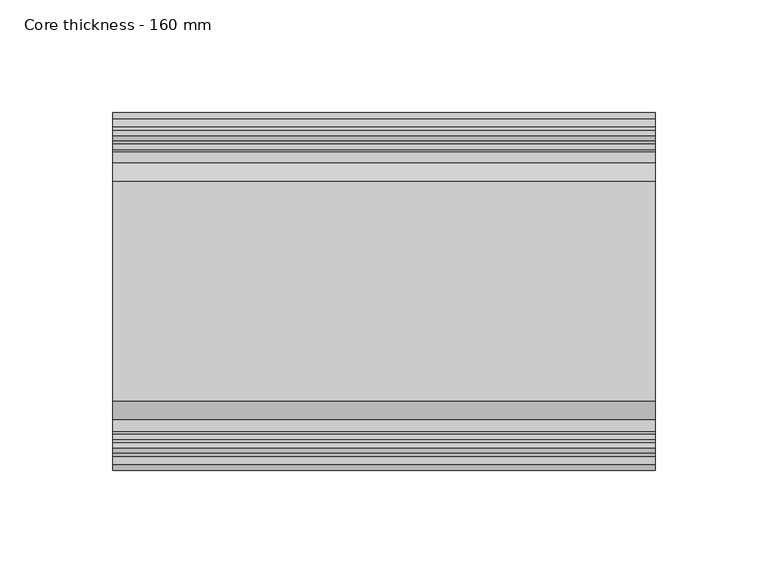
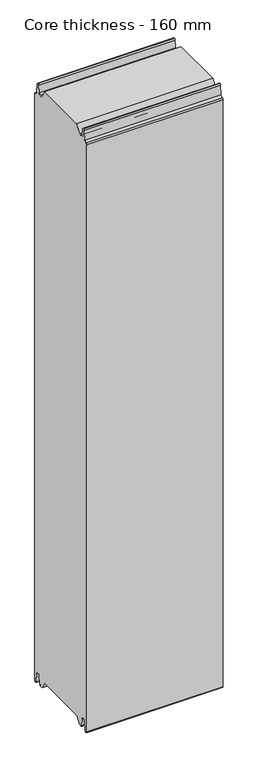
"""IFC4 building model written with IfcOpenShell, lengths in millimetres: plate geometry, Core thickness - 160 mm."""

from ifc_helpers import new_model, si_unit, frame, origin, place, context, project, spatial, polyline, circle_curve, source, transform, mapped, element, save
from ifc_brep_helpers import plane_surface, cylinder_surface, revolved_surface, advanced_brep


def core_thickness_160_mm_a3ec5d2a(model_context):
    return source(origin(), model_context, "Body", "AdvancedBrep", [
        advanced_brep(
        [(119.9999998, -129.873448, 15.0417681), (119.9999998, -30.126552, 15.0417681), (119.9999998, -23.4086055, 3.0684055), (119.9999998, -17.4169005, 3.0684055), (119.9999998, -19.6169005, 5.265779), (119.9999998, -18.8169005, 5.265779), (119.9999998, -16.0235822, 5.1291629), (119.9999998, -14.6379549, 19.2608832), (119.9999998, -10.8223285, 22.6899182), (119.9999998, -7.0067021, 19.2608832), (119.9999998, -5.3893281, 2.7656275), (119.9999998, -0.8003051, 2.9900682), (119.9999998, -0.8, 1093.8000005), (119.9999998, -3.3660185, 1096.1942726), (119.9999998, -6.8790665, 1099.1779769), (119.9999998, -8.5415667, 1116.1334653), (119.9999998, -10.8223285, 1118.1999998), (119.9999998, -13.1030903, 1116.1334653), (119.9999998, -14.4357929, 1102.5415123), (119.9999998, -17.0233841, 1100.1952279), (119.9999998, -18.1003051, 1100.1952279), (119.9999998, -18.7003051, 1099.5952279), (119.9999998, -18.7003051, 1098.4952279), (119.9999998, -19.5003051, 1098.4952279), (119.9999998, -19.5003051, 1099.5952279), (119.9999998, -18.1003051, 1100.9952279), (119.9999998, -19.5003051, 1100.9952279), (119.9999998, -23.1062917, 1100.9952279), (119.9999998, -31.1628062, 1115.044651), (119.9999998, -128.7531937, 1115.044651), (119.9999998, -136.8937083, 1100.9952279), (119.9999998, -140.4996949, 1100.9952279), (119.9999998, -141.8996949, 1100.9952279), (119.9999998, -140.4996949, 1099.5952279), (119.9999998, -140.4996949, 1098.4952279), (119.9999998, -141.2996949, 1098.4952279), (119.9999998, -141.2996949, 1099.5952279), (119.9999998, -141.8996949, 1100.1952279), (119.9999998, -142.9766159, 1100.1952279), (119.9999998, -145.5642071, 1102.5415123), (119.9999998, -146.8969097, 1116.1334653), (119.9999998, -149.1776715, 1118.1999998), (119.9999998, -151.4584333, 1116.1334653), (119.9999998, -153.1209335, 1099.1779769), (119.9999998, -156.6330399, 1096.2078763), (119.9999998, -159.1996949, 1093.8000005), (119.9999998, -159.2, 2.9900682), (119.9999998, -154.6106719, 2.7656275), (119.9999998, -152.9932979, 19.2608832), (119.9999998, -149.1776715, 22.6899182), (119.9999998, -145.3620451, 19.2608832), (119.9999998, -143.9764178, 5.1291629), (119.9999998, -141.1830995, 5.265779), (119.9999998, -140.3830995, 5.265779), (119.9999998, -142.5830995, 3.065779), (119.9999998, -136.5913945, 3.0684055), (-119.9999998, -136.8937083, 1100.9952279), (-119.9999998, -128.7531937, 1115.044651), (-119.9999998, -31.1628062, 1115.044651), (-119.9999998, -23.1062917, 1100.9952279), (-119.9999998, -19.5003051, 1100.9952279), (-119.9999998, -18.1003051, 1100.9952279), (-119.9999998, -19.5003051, 1099.5952279), (-119.9999998, -19.5003051, 1098.4952279), (-119.9999998, -18.7003051, 1098.4952279), (-119.9999998, -18.7003051, 1099.5952279), (-119.9999998, -18.1003051, 1100.1952279), (-119.9999998, -17.0233841, 1100.1952279), (-119.9999998, -14.4357929, 1102.5415123), (-119.9999998, -13.1030903, 1116.1334653), (-119.9999998, -10.8223285, 1118.1999998), (-119.9999998, -8.5415667, 1116.1334653), (-119.9999998, -6.8790665, 1099.1779769), (-119.9999998, -3.3669601, 1096.2078763), (-119.9999998, -0.8003051, 1093.8000005), (-119.9999998, -0.8, 2.9900682), (-119.9999998, -5.3893281, 2.7656275), (-119.9999998, -7.0067021, 19.2608832), (-119.9999998, -10.8223285, 22.6899182), (-119.9999998, -14.6379549, 19.2608832), (-119.9999998, -16.0235822, 5.1291629), (-119.9999998, -18.8169005, 5.265779), (-119.9999998, -19.6169005, 5.265779), (-119.9999998, -17.4169005, 3.065779), (-119.9999998, -23.4086055, 3.0684055), (-119.9999998, -30.126552, 15.0417681), (-119.9999998, -129.873448, 15.0417681), (-119.9999998, -136.5913945, 3.0684055), (-119.9999998, -142.5830995, 3.0684055), (-119.9999998, -140.3830995, 5.265779), (-119.9999998, -141.1830995, 5.265779), (-119.9999998, -143.9764178, 5.1291629), (-119.9999998, -145.3620451, 19.2608832), (-119.9999998, -149.1776715, 22.6899182), (-119.9999998, -152.9932979, 19.2608832), (-119.9999998, -154.6106719, 2.7656275), (-119.9999998, -159.1996949, 2.9900682), (-119.9999998, -159.2, 1093.8000005), (-119.9999998, -156.6339815, 1096.1942726), (-119.9999998, -153.1209335, 1099.1779769), (-119.9999998, -151.4584333, 1116.1334653), (-119.9999998, -149.1776715, 1118.1999998), (-119.9999998, -146.8969097, 1116.1334653), (-119.9999998, -145.5642071, 1102.5415123), (-119.9999998, -142.9766159, 1100.1952279), (-119.9999998, -141.8996949, 1100.1952279), (-119.9999998, -141.2996949, 1099.5952279), (-119.9999998, -141.2996949, 1098.4952279), (-119.9999998, -140.4996949, 1098.4952279), (-119.9999998, -140.4996949, 1099.5952279), (-119.9999998, -141.8996949, 1100.9952279), (-119.9999998, -140.4996949, 1100.9952279)],
        [
            (0, 1),
            (1, 2),
            (2, 3),
            (3, 4, circle_curve(frame((119.9999998, -17.4169005, 5.265779), z_axis=(-1.0, 0.0, 0.0), x_axis=(0.0, 0.0, -1.0)), 2.2)),
            (4, 5),
            (5, 6, circle_curve(frame((119.9999998, -17.4169005, 5.265779), z_axis=(1.0, 0.0, 0.0), x_axis=(0.0, 0.0, -1.0)), 1.4)),
            (6, 7),
            (7, 8, circle_curve(frame((119.9999998, -10.8560907, 18.8900682), z_axis=(-1.0, 0.0, 0.0), x_axis=(0.0, 0.0, -1.0)), 3.8)),
            (8, 9, circle_curve(frame((119.9999998, -10.7885662, 18.8900682), z_axis=(-1.0, 0.0, 0.0), x_axis=(0.0, 0.0, -1.0)), 3.8)),
            (9, 10),
            (10, 11, circle_curve(frame((119.9999998, -3.1003051, 2.9900682), z_axis=(1.0, 0.0, 0.0), x_axis=(0.0, 0.0, -1.0)), 2.3)),
            (11, 12),
            (12, 13, circle_curve(frame((119.9999998, -3.2003051, 1093.8000005), z_axis=(1.0, 0.0, 0.0), x_axis=(0.0, 0.0, -1.0)), 2.4)),
            (13, 14, circle_curve(frame((119.9999998, -3.5948161, 1099.5000005), z_axis=(-1.0, 0.0, 0.0), x_axis=(0.0, 0.0, -1.0)), 3.3)),
            (14, 15),
            (15, 16, circle_curve(frame((119.9999998, -10.8206374, 1115.9100005), z_axis=(1.0, 0.0, 0.0), x_axis=(0.0, 0.0, -1.0)), 2.29)),
            (16, 17, circle_curve(frame((119.9999998, -10.8240195, 1115.9100005), z_axis=(1.0, 0.0, 0.0), x_axis=(0.0, 0.0, -1.0)), 2.29)),
            (17, 18),
            (18, 19, circle_curve(frame((119.9999998, -17.0233841, 1102.7952279), z_axis=(-1.0, 0.0, 0.0), x_axis=(0.0, 0.0, -1.0)), 2.6)),
            (19, 20),
            (20, 21, circle_curve(frame((119.9999998, -18.1003051, 1099.5952279), z_axis=(1.0, 0.0, 0.0), x_axis=(0.0, 0.0, -1.0)), 0.6)),
            (21, 22),
            (22, 23),
            (23, 24),
            (24, 25, circle_curve(frame((119.9999998, -18.1003051, 1099.5952279), z_axis=(-1.0, 0.0, 0.0), x_axis=(0.0, 0.0, -1.0)), 1.4)),
            (25, 26),
            (26, 27),
            (27, 28),
            (28, 29),
            (29, 30),
            (30, 31),
            (31, 32),
            (32, 33, circle_curve(frame((119.9999998, -141.8996949, 1099.5952279), z_axis=(-1.0, 0.0, 0.0), x_axis=(0.0, 0.0, -1.0)), 1.4)),
            (33, 34),
            (34, 35),
            (35, 36),
            (36, 37, circle_curve(frame((119.9999998, -141.8996949, 1099.5952279), z_axis=(1.0, 0.0, 0.0), x_axis=(0.0, 0.0, -1.0)), 0.6)),
            (37, 38),
            (38, 39, circle_curve(frame((119.9999998, -142.9766159, 1102.7952279), z_axis=(-1.0, 0.0, 0.0), x_axis=(0.0, 0.0, -1.0)), 2.6)),
            (39, 40),
            (40, 41, circle_curve(frame((119.9999998, -149.1759805, 1115.9100005), z_axis=(1.0, 0.0, 0.0), x_axis=(0.0, 0.0, -1.0)), 2.29)),
            (41, 42, circle_curve(frame((119.9999998, -149.1793626, 1115.9100005), z_axis=(1.0, 0.0, 0.0), x_axis=(0.0, 0.0, -1.0)), 2.29)),
            (42, 43),
            (43, 44, circle_curve(frame((119.9999998, -156.4051839, 1099.5000005), z_axis=(-1.0, 0.0, 0.0), x_axis=(0.0, 0.0, -1.0)), 3.3)),
            (44, 45, circle_curve(frame((119.9999998, -156.7996949, 1093.8000005), z_axis=(1.0, 0.0, 0.0), x_axis=(0.0, 0.0, -1.0)), 2.4)),
            (45, 46),
            (46, 47, circle_curve(frame((119.9999998, -156.8996949, 2.9900682), z_axis=(1.0, 0.0, 0.0), x_axis=(0.0, 0.0, -1.0)), 2.3)),
            (47, 48),
            (48, 49, circle_curve(frame((119.9999998, -149.2114338, 18.8900682), z_axis=(-1.0, 0.0, 0.0), x_axis=(0.0, 0.0, -1.0)), 3.8)),
            (49, 50, circle_curve(frame((119.9999998, -149.1439093, 18.8900682), z_axis=(-1.0, 0.0, 0.0), x_axis=(0.0, 0.0, -1.0)), 3.8)),
            (50, 51),
            (51, 52, circle_curve(frame((119.9999998, -142.5830995, 5.265779), z_axis=(1.0, 0.0, 0.0), x_axis=(0.0, 0.0, -1.0)), 1.4)),
            (52, 53),
            (53, 54, circle_curve(frame((119.9999998, -142.5830995, 5.265779), z_axis=(-1.0, 0.0, 0.0), x_axis=(0.0, 0.0, -1.0)), 2.2)),
            (54, 55),
            (55, 0),
            (56, 57),
            (57, 58),
            (58, 59),
            (59, 60),
            (60, 61),
            (61, 62, circle_curve(frame((-119.9999998, -18.1003051, 1099.5952279), z_axis=(1.0, 0.0, 0.0), x_axis=(0.0, 0.0, -1.0)), 1.4)),
            (62, 63),
            (63, 64),
            (64, 65),
            (65, 66, circle_curve(frame((-119.9999998, -18.1003051, 1099.5952279), z_axis=(-1.0, 0.0, 0.0), x_axis=(0.0, 0.0, -1.0)), 0.6)),
            (66, 67),
            (67, 68, circle_curve(frame((-119.9999998, -17.0233841, 1102.7952279), z_axis=(1.0, 0.0, 0.0), x_axis=(0.0, 0.0, -1.0)), 2.6)),
            (68, 69),
            (69, 70, circle_curve(frame((-119.9999998, -10.8240195, 1115.9100005), z_axis=(-1.0, 0.0, 0.0), x_axis=(0.0, 0.0, -1.0)), 2.29)),
            (70, 71, circle_curve(frame((-119.9999998, -10.8206374, 1115.9100005), z_axis=(-1.0, 0.0, 0.0), x_axis=(0.0, 0.0, -1.0)), 2.29)),
            (71, 72),
            (72, 73, circle_curve(frame((-119.9999998, -3.5948161, 1099.5000005), z_axis=(1.0, 0.0, 0.0), x_axis=(0.0, 0.0, -1.0)), 3.3)),
            (73, 74, circle_curve(frame((-119.9999998, -3.2003051, 1093.8000005), z_axis=(-1.0, 0.0, 0.0), x_axis=(0.0, 0.0, -1.0)), 2.4)),
            (74, 75),
            (75, 76, circle_curve(frame((-119.9999998, -3.1003051, 2.9900682), z_axis=(-1.0, 0.0, 0.0), x_axis=(0.0, 0.0, -1.0)), 2.3)),
            (76, 77),
            (77, 78, circle_curve(frame((-119.9999998, -10.7885662, 18.8900682), z_axis=(1.0, 0.0, 0.0), x_axis=(0.0, 0.0, -1.0)), 3.8)),
            (78, 79, circle_curve(frame((-119.9999998, -10.8560907, 18.8900682), z_axis=(1.0, 0.0, 0.0), x_axis=(0.0, 0.0, -1.0)), 3.8)),
            (79, 80),
            (80, 81, circle_curve(frame((-119.9999998, -17.4169005, 5.265779), z_axis=(-1.0, 0.0, 0.0), x_axis=(0.0, 0.0, -1.0)), 1.4)),
            (81, 82),
            (82, 83, circle_curve(frame((-119.9999998, -17.4169005, 5.265779), z_axis=(1.0, 0.0, 0.0), x_axis=(0.0, 0.0, -1.0)), 2.2)),
            (83, 84),
            (84, 85),
            (85, 86),
            (86, 87),
            (87, 88),
            (88, 89, circle_curve(frame((-119.9999998, -142.5830995, 5.265779), z_axis=(1.0, 0.0, 0.0), x_axis=(0.0, 0.0, -1.0)), 2.2)),
            (89, 90),
            (90, 91, circle_curve(frame((-119.9999998, -142.5830995, 5.265779), z_axis=(-1.0, 0.0, 0.0), x_axis=(0.0, 0.0, -1.0)), 1.4)),
            (91, 92),
            (92, 93, circle_curve(frame((-119.9999998, -149.1439093, 18.8900682), z_axis=(1.0, 0.0, 0.0), x_axis=(0.0, 0.0, -1.0)), 3.8)),
            (93, 94, circle_curve(frame((-119.9999998, -149.2114338, 18.8900682), z_axis=(1.0, 0.0, 0.0), x_axis=(0.0, 0.0, -1.0)), 3.8)),
            (94, 95),
            (95, 96, circle_curve(frame((-119.9999998, -156.8996949, 2.9900682), z_axis=(-1.0, 0.0, 0.0), x_axis=(0.0, 0.0, -1.0)), 2.3)),
            (96, 97),
            (97, 98, circle_curve(frame((-119.9999998, -156.7996949, 1093.8000005), z_axis=(-1.0, 0.0, 0.0), x_axis=(0.0, 0.0, -1.0)), 2.4)),
            (98, 99, circle_curve(frame((-119.9999998, -156.4051839, 1099.5000005), z_axis=(1.0, 0.0, 0.0), x_axis=(0.0, 0.0, -1.0)), 3.3)),
            (99, 100),
            (100, 101, circle_curve(frame((-119.9999998, -149.1793626, 1115.9100005), z_axis=(-1.0, 0.0, 0.0), x_axis=(0.0, 0.0, -1.0)), 2.29)),
            (101, 102, circle_curve(frame((-119.9999998, -149.1759805, 1115.9100005), z_axis=(-1.0, 0.0, 0.0), x_axis=(0.0, 0.0, -1.0)), 2.29)),
            (102, 103),
            (103, 104, circle_curve(frame((-119.9999998, -142.9766159, 1102.7952279), z_axis=(1.0, 0.0, 0.0), x_axis=(0.0, 0.0, -1.0)), 2.6)),
            (104, 105),
            (105, 106, circle_curve(frame((-119.9999998, -141.8996949, 1099.5952279), z_axis=(-1.0, 0.0, 0.0), x_axis=(0.0, 0.0, -1.0)), 0.6)),
            (106, 107),
            (107, 108),
            (108, 109),
            (109, 110, circle_curve(frame((-119.9999998, -141.8996949, 1099.5952279), z_axis=(1.0, 0.0, 0.0), x_axis=(0.0, 0.0, -1.0)), 1.4)),
            (110, 111),
            (111, 56),
            (30, 56),
            (110, 32),
            (29, 57),
            (28, 58),
            (27, 59),
            (25, 61),
            (1, 85),
            (84, 2),
            (0, 86),
            (55, 87),
            (83, 3),
            (54, 88),
            (109, 33),
            (108, 34),
            (107, 35),
            (106, 36),
            (105, 37),
            (104, 38),
            (103, 39),
            (102, 40),
            (101, 41),
            (100, 42),
            (99, 43),
            (98, 44),
            (97, 45),
            (96, 46),
            (95, 47),
            (94, 48),
            (93, 49),
            (92, 50),
            (91, 51),
            (90, 52),
            (89, 53),
            (74, 12),
            (11, 75),
            (73, 13),
            (72, 14),
            (71, 15),
            (70, 16),
            (69, 17),
            (68, 18),
            (67, 19),
            (66, 20),
            (65, 21),
            (64, 22),
            (63, 23),
            (62, 24),
            (82, 4),
            (81, 5),
            (80, 6),
            (79, 7),
            (78, 8),
            (77, 9),
            (76, 10),
        ],
        [
            plane_surface(frame((119.9999998, 0.0, 0.0), z_axis=(1.0, 0.0, 0.0), x_axis=(0.0, -1.0, 0.0))),
            plane_surface(frame((-119.9999998, 0.0, 0.0), z_axis=(-1.0, 0.0, 0.0), x_axis=(0.0, -1.0, 0.0))),
            plane_surface(frame((119.9999998, -136.8937083, 1100.9952279), z_axis=(0.0, 0.0, 1.0), x_axis=(-1.0, 0.0, 0.0))),
            plane_surface(frame((119.9999998, -128.7531937, 1115.044651), z_axis=(0.0, -0.8652489672717164, 0.5013424225369607), x_axis=(-1.0, 0.0, 0.0))),
            plane_surface(frame((119.9999998, -31.1628062, 1115.044651), z_axis=(0.0, 0.0, 1.0), x_axis=(-1.0, 0.0, 0.0))),
            plane_surface(frame((119.9999998, -23.1062917, 1100.9952279), z_axis=(0.0, 0.8674901459133322, 0.4974543664933155), x_axis=(-1.0, 0.0, 0.0))),
            plane_surface(frame((119.9999998, -17.0229218, 1100.9952279), z_axis=(0.0, 0.0, 1.0), x_axis=(-1.0, 0.0, 0.0))),
            plane_surface(frame((119.9999998, -30.126552, 15.0417681), z_axis=(0.0, -0.8721062992196836, -0.4893164649399687), x_axis=(-1.0, 0.0, 0.0))),
            plane_surface(frame((119.9999998, -129.873448, 15.0417681), z_axis=(0.0, 0.0, -1.0), x_axis=(-1.0, 0.0, 0.0))),
            plane_surface(frame((119.9999998, -136.8190247, 2.6627014), z_axis=(0.0, 0.8721062992196852, -0.48931646493996606), x_axis=(-1.0, 0.0, 0.0))),
            plane_surface(frame((-119.9999998, -142.5830995, 3.0684055), z_axis=(0.0, 0.0, -1.0), x_axis=(1.0, 0.0, 0.0))),
            revolved_surface(polyline([(119.99999980000001, -141.8996949, 1098.1952279), (-119.99999980000001, -141.8996949, 1098.1952279)]), (249.9999998, -141.8996949, 1099.5952279), (1.0, 0.0, 0.0)),
            plane_surface(frame((249.9999998, -140.4996949, 1098.4952279), z_axis=(0.0, -1.0, 0.0), x_axis=(-1.0, 0.0, 0.0))),
            plane_surface(frame((249.9999998, -141.2996949, 1098.4952279), z_axis=(0.0, 0.0, 1.0), x_axis=(-1.0, 0.0, 0.0))),
            plane_surface(frame((249.9999998, -141.2996949, 1099.5952279), z_axis=(0.0, 1.0, 0.0), x_axis=(-1.0, 0.0, 0.0))),
            cylinder_surface(frame((249.9999998, -141.8996949, 1099.5952279), z_axis=(-1.0, 0.0, 0.0), x_axis=(0.0, 0.0, -1.0)), 0.6),
            plane_surface(frame((249.9999998, -142.9766159, 1100.1952279), z_axis=(0.0, 0.0, 1.0), x_axis=(-1.0, 0.0, 0.0))),
            revolved_surface(polyline([(119.99999980000001, -142.9766159, 1100.1952279000002), (-119.99999980000001, -142.9766159, 1100.1952279000002)]), (249.9999998, -142.9766159, 1102.7952279), (1.0, 0.0, 0.0)),
            plane_surface(frame((249.9999998, -146.8969097, 1116.1334653), z_axis=(0.0, 0.9952273999818314, 0.09758289975914705), x_axis=(-1.0, 0.0, 0.0))),
            cylinder_surface(frame((249.9999998, -149.1759805, 1115.9100005), z_axis=(-1.0, 0.0, 0.0), x_axis=(0.0, 0.0, -1.0)), 2.29),
            cylinder_surface(frame((249.9999998, -149.1793626, 1115.9100005), z_axis=(-1.0, 0.0, 0.0), x_axis=(0.0, 0.0, -1.0)), 2.29),
            plane_surface(frame((249.9999998, -153.1209335, 1099.1779769), z_axis=(0.0, -0.9952273999818317, 0.09758289975914436), x_axis=(-1.0, 0.0, 0.0))),
            revolved_surface(polyline([(119.99999980000001, -156.4051839, 1096.2000005), (-119.99999980000001, -156.4051839, 1096.2000005)]), (249.9999998, -156.4051839, 1099.5000005), (1.0, 0.0, 0.0)),
            cylinder_surface(frame((249.9999998, -156.7996949, 1093.8000005), z_axis=(-1.0, 0.0, 0.0), x_axis=(0.0, 0.0, -1.0)), 2.4),
            plane_surface(frame((249.9999998, -159.2, 2.9900682), z_axis=(0.0, -1.0, 0.0), x_axis=(-1.0, 0.0, 0.0))),
            cylinder_surface(frame((249.9999998, -156.8996949, 2.9900682), z_axis=(-1.0, 0.0, 0.0), x_axis=(0.0, 0.0, -1.0)), 2.3),
            plane_surface(frame((249.9999998, -152.9932979, 19.2608832), z_axis=(0.0, 0.9952273999818314, -0.09758289975914787), x_axis=(-1.0, 0.0, 0.0))),
            revolved_surface(polyline([(119.99999980000001, -149.2114338, 15.090068200000001), (-119.99999980000001, -149.2114338, 15.090068200000001)]), (249.9999998, -149.2114338, 18.8900682), (1.0, 0.0, 0.0)),
            revolved_surface(polyline([(119.99999980000001, -149.1439093, 15.090068200000001), (-119.99999980000001, -149.1439093, 15.090068200000001)]), (249.9999998, -149.1439093, 18.8900682), (1.0, 0.0, 0.0)),
            plane_surface(frame((249.9999998, -143.9764178, 5.1291629), z_axis=(0.0, -0.9952273999818297, -0.09758289975916531), x_axis=(-1.0, 0.0, 0.0))),
            cylinder_surface(frame((249.9999998, -142.5830995, 5.265779), z_axis=(-1.0, 0.0, 0.0), x_axis=(0.0, 0.0, -1.0)), 1.4),
            plane_surface(frame((249.9999998, -140.3830995, 5.265779), z_axis=(0.0, 0.0, -1.0), x_axis=(-1.0, 0.0, 0.0))),
            revolved_surface(polyline([(119.99999980000001, -142.5830995, 3.065779), (-119.99999980000001, -142.5830995, 3.065779)]), (249.9999998, -142.5830995, 5.265779), (1.0, 0.0, 0.0)),
            plane_surface(frame((249.9999998, -0.8, 1093.8000005), z_axis=(0.0, 1.0, 0.0), x_axis=(-1.0, 0.0, 0.0))),
            cylinder_surface(frame((249.9999998, -3.2003051, 1093.8000005), z_axis=(-1.0, 0.0, 0.0), x_axis=(0.0, 0.0, -1.0)), 2.4),
            revolved_surface(polyline([(119.99999980000001, -3.5948161, 1096.2000005), (-119.99999980000001, -3.5948161, 1096.2000005)]), (249.9999998, -3.5948161, 1099.5000005), (1.0, 0.0, 0.0)),
            plane_surface(frame((249.9999998, -8.5415667, 1116.1334653), z_axis=(0.0, 0.9952273999818317, 0.09758289975914436), x_axis=(-1.0, 0.0, 0.0))),
            cylinder_surface(frame((249.9999998, -10.8206374, 1115.9100005), z_axis=(-1.0, 0.0, 0.0), x_axis=(0.0, 0.0, -1.0)), 2.29),
            cylinder_surface(frame((249.9999998, -10.8240195, 1115.9100005), z_axis=(-1.0, 0.0, 0.0), x_axis=(0.0, 0.0, -1.0)), 2.29),
            plane_surface(frame((249.9999998, -14.4357929, 1102.5415123), z_axis=(0.0, -0.9952273999818314, 0.09758289975914705), x_axis=(-1.0, 0.0, 0.0))),
            revolved_surface(polyline([(119.99999980000001, -17.0233841, 1100.1952279000002), (-119.99999980000001, -17.0233841, 1100.1952279000002)]), (249.9999998, -17.0233841, 1102.7952279), (1.0, 0.0, 0.0)),
            plane_surface(frame((249.9999998, -18.1003051, 1100.1952279), z_axis=(0.0, 0.0, 1.0), x_axis=(-1.0, 0.0, 0.0))),
            cylinder_surface(frame((249.9999998, -18.1003051, 1099.5952279), z_axis=(-1.0, 0.0, 0.0), x_axis=(0.0, 0.0, -1.0)), 0.6),
            plane_surface(frame((249.9999998, -18.7003051, 1098.4952279), z_axis=(0.0, -1.0, 0.0), x_axis=(-1.0, 0.0, 0.0))),
            plane_surface(frame((249.9999998, -19.5003051, 1098.4952279), z_axis=(0.0, 0.0, 1.0), x_axis=(-1.0, 0.0, 0.0))),
            plane_surface(frame((249.9999998, -19.5003051, 1099.5952279), z_axis=(0.0, 1.0, 0.0), x_axis=(-1.0, 0.0, 0.0))),
            revolved_surface(polyline([(119.99999980000001, -18.1003051, 1098.1952279), (-119.99999980000001, -18.1003051, 1098.1952279)]), (249.9999998, -18.1003051, 1099.5952279), (1.0, 0.0, 0.0)),
            revolved_surface(polyline([(119.99999980000001, -17.4169005, 3.065779), (-119.99999980000001, -17.4169005, 3.065779)]), (249.9999998, -17.4169005, 5.265779), (1.0, 0.0, 0.0)),
            plane_surface(frame((249.9999998, -18.8169005, 5.265779), z_axis=(0.0, 0.0, -1.0), x_axis=(-1.0, 0.0, 0.0))),
            cylinder_surface(frame((249.9999998, -17.4169005, 5.265779), z_axis=(-1.0, 0.0, 0.0), x_axis=(0.0, 0.0, -1.0)), 1.4),
            plane_surface(frame((249.9999998, -14.6379549, 19.2608832), z_axis=(0.0, 0.9952273999818297, -0.09758289975916531), x_axis=(-1.0, 0.0, 0.0))),
            revolved_surface(polyline([(119.99999980000001, -10.8560907, 15.090068200000001), (-119.99999980000001, -10.8560907, 15.090068200000001)]), (249.9999998, -10.8560907, 18.8900682), (1.0, 0.0, 0.0)),
            revolved_surface(polyline([(119.99999980000001, -10.7885662, 15.090068200000001), (-119.99999980000001, -10.7885662, 15.090068200000001)]), (249.9999998, -10.7885662, 18.8900682), (1.0, 0.0, 0.0)),
            plane_surface(frame((249.9999998, -5.3893281, 2.7656275), z_axis=(0.0, -0.9952273999818314, -0.09758289975914787), x_axis=(-1.0, 0.0, 0.0))),
            cylinder_surface(frame((249.9999998, -3.1003051, 2.9900682), z_axis=(-1.0, 0.0, 0.0), x_axis=(0.0, 0.0, -1.0)), 2.3),
        ],
        [
            (0, [[1, 2, 3, 4, 5, 6, 7, 8, 9, 10, 11, 12, 13, 14, 15, 16, 17, 18, 19, 20, 21, 22, 23, 24, 25, 26, 27, 28, 29, 30, 31, 32, 33, 34, 35, 36, 37, 38, 39, 40, 41, 42, 43, 44, 45, 46, 47, 48, 49, 50, 51, 52, 53, 54, 55, 56]]),
            (1, [[57, 58, 59, 60, 61, 62, 63, 64, 65, 66, 67, 68, 69, 70, 71, 72, 73, 74, 75, 76, 77, 78, 79, 80, 81, 82, 83, 84, 85, 86, 87, 88, 89, 90, 91, 92, 93, 94, 95, 96, 97, 98, 99, 100, 101, 102, 103, 104, 105, 106, 107, 108, 109, 110, 111, 112]]),
            (2, [[113, -112, -111, 114, -32, -31]]),
            (3, [[-30, 115, -57, -113]]),
            (4, [[-29, 116, -58, -115]]),
            (5, [[-28, 117, -59, -116]]),
            (6, [[-117, -27, -26, 118, -61, -60]]),
            (7, [[119, -85, 120, -2]]),
            (8, [[-1, 121, -86, -119]]),
            (9, [[-121, -56, 122, -87]]),
            (10, [[-3, -120, -84, 123]]),
            (10, [[-55, 124, -88, -122]]),
            (11, [[125, -33, -114, -110]]),
            (12, [[-125, -109, 126, -34]]),
            (13, [[-126, -108, 127, -35]]),
            (14, [[-127, -107, 128, -36]]),
            (15, [[-128, -106, 129, -37]]),
            (16, [[-129, -105, 130, -38]]),
            (17, [[-130, -104, 131, -39]]),
            (18, [[-131, -103, 132, -40]]),
            (19, [[-132, -102, 133, -41]]),
            (20, [[-133, -101, 134, -42]]),
            (21, [[-134, -100, 135, -43]]),
            (22, [[-135, -99, 136, -44]]),
            (23, [[-136, -98, 137, -45]]),
            (24, [[-137, -97, 138, -46]]),
            (25, [[-138, -96, 139, -47]]),
            (26, [[-139, -95, 140, -48]]),
            (27, [[-140, -94, 141, -49]]),
            (28, [[-141, -93, 142, -50]]),
            (29, [[-142, -92, 143, -51]]),
            (30, [[-143, -91, 144, -52]]),
            (31, [[-144, -90, 145, -53]]),
            (32, [[-145, -89, -124, -54]]),
            (33, [[146, -12, 147, -75]]),
            (34, [[-146, -74, 148, -13]]),
            (35, [[-148, -73, 149, -14]]),
            (36, [[-149, -72, 150, -15]]),
            (37, [[-150, -71, 151, -16]]),
            (38, [[-151, -70, 152, -17]]),
            (39, [[-152, -69, 153, -18]]),
            (40, [[-153, -68, 154, -19]]),
            (41, [[-154, -67, 155, -20]]),
            (42, [[-155, -66, 156, -21]]),
            (43, [[-156, -65, 157, -22]]),
            (44, [[-157, -64, 158, -23]]),
            (45, [[-158, -63, 159, -24]]),
            (46, [[-159, -62, -118, -25]]),
            (47, [[160, -4, -123, -83]]),
            (48, [[-160, -82, 161, -5]]),
            (49, [[-161, -81, 162, -6]]),
            (50, [[-162, -80, 163, -7]]),
            (51, [[-163, -79, 164, -8]]),
            (52, [[-164, -78, 165, -9]]),
            (53, [[-165, -77, 166, -10]]),
            (54, [[-166, -76, -147, -11]]),
        ],
    ),
    ])


if __name__ == "__main__":
    model = new_model("IFC4")
    model_context = context("Model", 3, world=origin())
    ifc_project = project(units=[si_unit("LENGTHUNIT", "METRE", prefix="MILLI")], contexts=[model_context])
    site = spatial("IfcSite", under=ifc_project)
    building = spatial("IfcBuilding", under=site)
    placement = place(None, origin())
    core_thickness_160_mm_shape = core_thickness_160_mm_a3ec5d2a(model_context)
    element("IfcPlate", 1, ObjectType="Core thickness - 160 mm", at=placement, inside=building, context=model_context, shape_type="MappedRepresentation", body=[
        mapped(core_thickness_160_mm_shape, transform((0.0, 0.0, 0.0), x_axis=(1.0, 0.0, 0.0), y_axis=(0.0, 1.0, 0.0), z_axis=(0.0, 0.0, 1.0))),
    ])
    save(model, "model.ifc")
